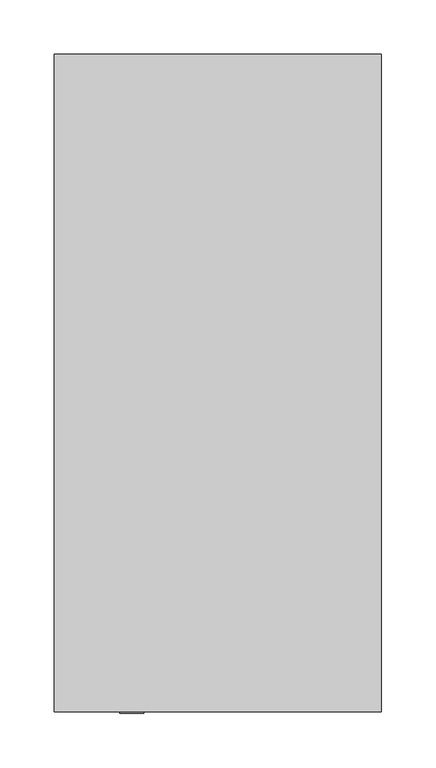
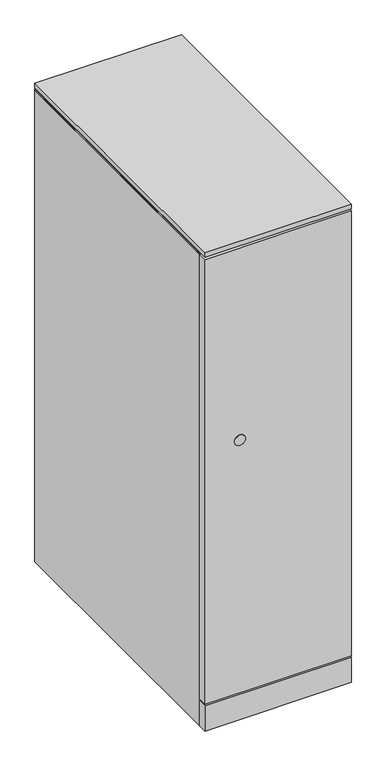
"""IFC4 building model written with IfcOpenShell, lengths in millimetres: furniture geometry."""

from ifc_helpers import new_model, si_unit, point, frame, frame_2d, origin, origin_with_axes, place, context, project, spatial, polyline, circle_curve, trimmed, segment, composite_curve, outline, extrude, faceted_brep, source, transform, mapped, element, save


def furniture_40a5fa2d(model_context):
    return source(origin(), model_context, "Body", "SolidModel", [
        extrude(outline(polyline([(303.2125, -588.645), (1.5875, -588.645), (1.5875, -1.524), (303.2125, -1.524), (303.2125, -588.645)])), frame((0.0, 0.0, 1028.3698), z_axis=(0.0, 0.0, 1.0), x_axis=(1.0, 0.0, 0.0)), (0.0, 0.0, 1.0), 3.175),
        extrude(outline(polyline([(303.2125, -607.949), (1.5875, -607.949), (1.5875, -588.645), (303.2125, -588.645), (303.2125, -607.949)])), frame((0.0, 0.0, 61.9252), z_axis=(0.0, 0.0, 1.0), x_axis=(1.0, 0.0, 0.0)), (0.0, 0.0, 1.0), 966.4446),
        extrude(outline(polyline([(303.2125, -588.645), (303.2125, -607.949), (1.5875, -607.949), (1.5875, -588.645), (303.2125, -588.645)])), frame((0.0, 0.0, 3.5814), z_axis=(0.0, 0.0, 1.0), x_axis=(1.0, 0.0, 0.0)), (0.0, 0.0, 1.0), 55.1688),
        extrude(outline(polyline([(303.2125, -607.949), (1.5875, -607.949), (1.5875, -1.524), (303.2125, -1.524), (303.2125, -607.949)])), frame((0.0, 0.0, 1033.4498), z_axis=(0.0, 0.0, 1.0), x_axis=(1.0, 0.0, 0.0)), (0.0, 0.0, 1.0), 9.779),
        faceted_brep([(303.2125, -1.524, 1028.3698), (303.2125, -1.524, 3.5814), (1.5875, -1.524, 3.5814), (1.5875, -1.524, 1028.3698), (1.5875, -588.645, 1028.3698), (303.2125, -588.645, 1028.3698), (1.5875, -588.645, 3.5814), (303.2125, -588.645, 3.5814), (283.9085, -23.749, 1010.8946), (20.8915, -23.749, 1010.8946), (20.8915, -23.749, 79.4004), (283.9085, -23.749, 79.4004), (283.9085, -588.645, 1010.8946), (20.8915, -588.645, 1010.8946), (20.8915, -588.645, 79.4004), (283.9085, -588.645, 79.4004)], [[[0, 1, 2, 3]], [[0, 3, 4, 5]], [[3, 2, 6, 4]], [[2, 1, 7, 6]], [[1, 0, 5, 7]], [[8, 9, 10, 11]], [[9, 8, 12, 13]], [[10, 9, 13, 14]], [[11, 10, 14, 15]], [[8, 11, 15, 12]], [[5, 4, 6, 7], [13, 12, 15, 14]]]),
        extrude(outline(polyline([(46.1772, -27.7114), (61.8363, -36.7521856), (61.8363, -54.8337568), (46.1772, -63.8745424), (30.5181, -54.8337568), (30.5181, -36.7521856), (46.1772, -27.7114)])), origin_with_axes(), (0.0, 0.0, 1.0), 8.4328),
        extrude(outline(polyline([(46.1772, -581.7616), (30.5181, -572.7208144), (30.5181, -554.6392432), (46.1772, -545.5984576), (61.8363, -554.6392432), (61.8363, -572.7208144), (46.1772, -581.7616)])), origin_with_axes(), (0.0, 0.0, 1.0), 8.4328),
        extrude(outline(polyline([(258.6228, -27.7114), (274.2819, -36.7521856), (274.2819, -54.8337568), (258.6228, -63.8745424), (242.9637, -54.8337568), (242.9637, -36.7521856), (258.6228, -27.7114)])), origin_with_axes(), (0.0, 0.0, 1.0), 8.4328),
        extrude(outline(polyline([(258.6228, -581.7616), (242.9637, -572.7208144), (242.9637, -554.6392432), (258.6228, -545.5984576), (274.2819, -554.6392432), (274.2819, -572.7208144), (258.6228, -581.7616)])), origin_with_axes(), (0.0, 0.0, 1.0), 8.4328),
        extrude(outline(composite_curve([segment(trimmed(circle_curve(frame_2d((611.6955, 72.9615)), 11.18616), [point((611.6955, 61.77534))], [point((611.6955, 84.14766))], False, "CARTESIAN"), True, "CONTINUOUS"), segment(trimmed(circle_curve(frame_2d((611.6955, 72.9615)), 11.18616), [point((611.6955, 84.14766))], [point((611.6955, 61.77534))], False, "CARTESIAN"), True, "CONTINUOUS")], self_intersect=False)), frame((0.0, -609.219, 0.0), z_axis=(0.0, 1.0, 0.0), x_axis=(0.0, 0.0, 1.0)), (0.0, 0.0, 1.0), 3.81),
    ])


if __name__ == "__main__":
    model = new_model("IFC4")
    model_context = context("Model", 3, world=origin())
    ifc_project = project(units=[si_unit("LENGTHUNIT", "METRE", prefix="MILLI")], contexts=[model_context])
    site = spatial("IfcSite", under=ifc_project)
    building = spatial("IfcBuilding", under=site)
    placement = place(None, origin())
    furniture_shape = furniture_40a5fa2d(model_context)
    element("IfcFurniture", 1, at=placement, inside=building, context=model_context, shape_type="MappedRepresentation", body=[
        mapped(furniture_shape, transform((0.0, 0.0, 0.0), x_axis=(1.0, 0.0, 0.0), y_axis=(0.0, 1.0, 0.0), z_axis=(0.0, 0.0, 1.0))),
    ])
    save(model, "model.ifc")
